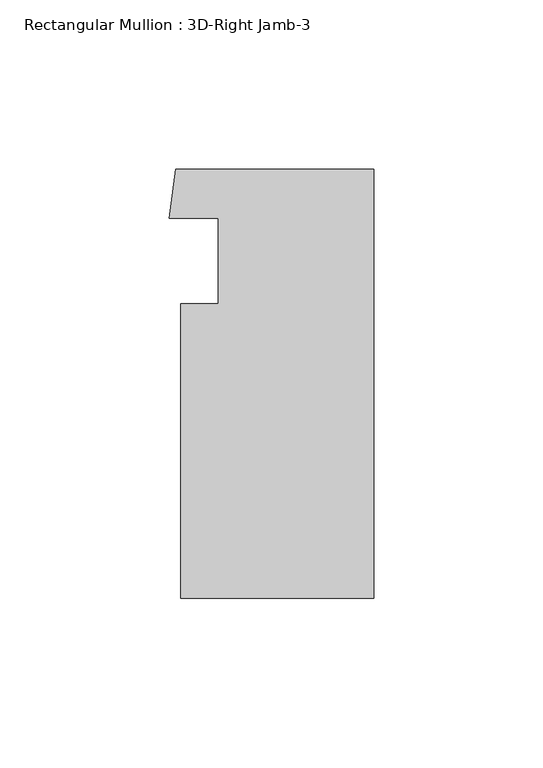
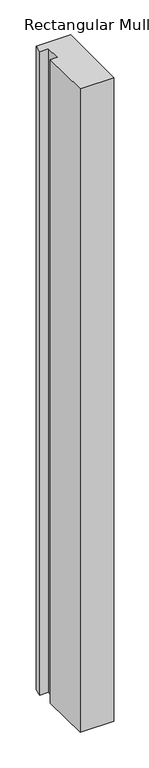
"""IFC4 building model written with IfcOpenShell, lengths in millimetres: member geometry, Rectangular Mullion : 3D-Right Jamb-3."""

from ifc_helpers import new_model, si_unit, frame, origin, place, context, project, spatial, polyline, outline, extrude, source, transform, mapped, element, save


def rectangular_mullion_3d_right_jamb_3_68d0e533(model_context):
    return source(origin(), model_context, "Body", "SweptSolid", [
        extrude(outline(polyline([(-57.15, 14.071475), (-46.0375, 14.071475), (-46.0375, 39.4333036), (-60.5514101, 39.4333036), (-58.4903823, 53.975), (0.0, 53.975), (0.0, -73.025), (-57.15, -73.025), (-57.15, 14.071475)])), frame((0.0, 0.0, -1155.71242), z_axis=(0.0, 0.0, 1.0), x_axis=(1.0, 0.0, 0.0)), (0.0, 0.0, 1.0), 1155.71242),
    ])


if __name__ == "__main__":
    model = new_model("IFC4")
    model_context = context("Model", 3, world=origin())
    ifc_project = project(units=[si_unit("LENGTHUNIT", "METRE", prefix="MILLI")], contexts=[model_context])
    site = spatial("IfcSite", under=ifc_project)
    building = spatial("IfcBuilding", under=site)
    placement = place(None, origin())
    rectangular_mullion_3d_right_jamb_3_shape = rectangular_mullion_3d_right_jamb_3_68d0e533(model_context)
    element("IfcMember", 1, ObjectType="Rectangular Mullion : 3D-Right Jamb-3", at=placement, inside=building, context=model_context, shape_type="MappedRepresentation", body=[
        mapped(rectangular_mullion_3d_right_jamb_3_shape, transform((0.0, 0.0, 0.0), x_axis=(1.0, 0.0, 0.0), y_axis=(0.0, 1.0, 0.0), z_axis=(0.0, 0.0, 1.0))),
    ])
    save(model, "model.ifc")
